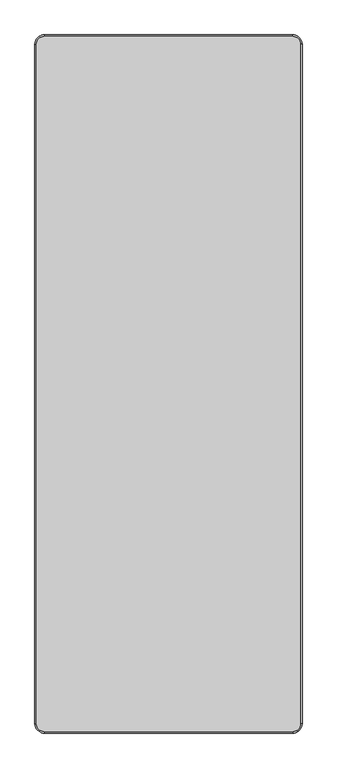
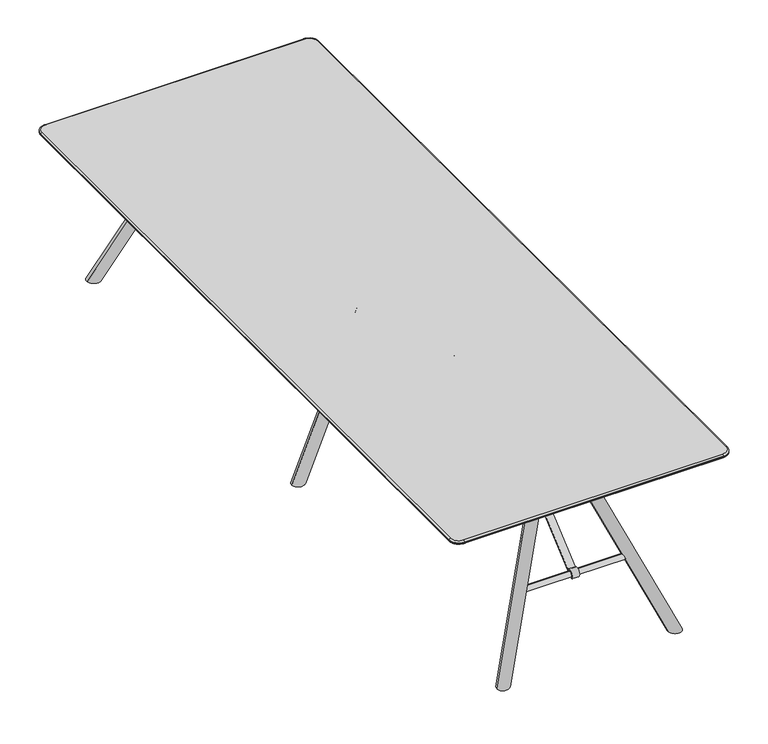
"""IFC4 building model written with IfcOpenShell, lengths in millimetres: furniture geometry."""

import ifcopenshell
import ifcopenshell.guid

model = None  # the IFC model being written
_history = None  # IfcOwnerHistory: only IFC2X3 demands one
_inside = {}  # id of a spatial element -> (the spatial element, [elements in it])
_under = {}  # id of a project, library or spatial element -> (it, [spatial elements below it])
_declared = {}  # id of a project -> (the project, [libraries it declares])
_typed = {}  # id of a type object -> (the type object, [elements of that type])
_made_of = {}  # id of a material, layer set ... -> (it, [elements and type objects made of it])


def new_model(schema):
    """Start an empty IFC model of exactly this schema.

    Asked for "IFC4X3", IfcOpenShell would pick the latest addendum, in which some entities
    have other attributes; the version numbers below select the first issue.
    IFC2X3 requires an IfcOwnerHistory on every rooted entity: one is made here for all.
    """
    global model, _history
    if schema == "IFC4X3":
        model = ifcopenshell.file(schema_version=(4, 3, 0, 0))
    else:
        model = ifcopenshell.file(schema=schema)
    _inside.clear()
    _under.clear()
    _declared.clear()
    _typed.clear()
    _made_of.clear()
    _history = None
    if model.schema == "IFC2X3":
        org = make("IfcOrganization", Name="unknown")
        user = make(
            "IfcPersonAndOrganization",
            ThePerson=make("IfcPerson", FamilyName="unknown"),
            TheOrganization=org,
        )
        app = make(
            "IfcApplication",
            ApplicationDeveloper=org,
            Version="unknown",
            ApplicationFullName="unknown",
            ApplicationIdentifier="unknown",
        )
        _history = make(
            "IfcOwnerHistory",
            OwningUser=user,
            OwningApplication=app,
            ChangeAction="ADDED",
            CreationDate=0,
        )
    return model


def make(cls, **values):
    """One entity of the class cls with the attributes given. An attribute that is None is left unset."""
    return model.create_entity(
        cls, **{name: value for name, value in values.items() if value is not None}
    )


def rooted(cls, **values):
    """An entity with a GlobalId (a new one), such as an element, a storey or a relation."""
    return make(cls, GlobalId=ifcopenshell.guid.new(), OwnerHistory=_history, **values)


def si_unit(unit_type, name, prefix=None):
    """IfcSIUnit, for example si_unit("LENGTHUNIT", "METRE", prefix="MILLI")."""
    return make("IfcSIUnit", UnitType=unit_type, Prefix=prefix, Name=name)


def assignment(units):
    """IfcUnitAssignment: the units of a project."""
    return None if units is None else make("IfcUnitAssignment", Units=units)


def point(xyz):
    """IfcCartesianPoint."""
    return None if xyz is None else make("IfcCartesianPoint", Coordinates=xyz)


def direction(xyz):
    """IfcDirection."""
    return None if xyz is None else make("IfcDirection", DirectionRatios=xyz)


def frame(location, z_axis=None, x_axis=None):
    """IfcAxis2Placement3D, a coordinate frame: its origin and axes. An axis left out is left unset."""
    return make(
        "IfcAxis2Placement3D",
        Location=point(location),
        Axis=direction(z_axis),
        RefDirection=direction(x_axis),
    )


def frame_2d(location, x_axis=None):
    """IfcAxis2Placement2D, a coordinate frame in the plane: its origin and x axis."""
    return make(
        "IfcAxis2Placement2D", Location=point(location), RefDirection=direction(x_axis)
    )


def origin():
    """The frame at (0, 0, 0) with its axes left unset."""
    return frame((0.0, 0.0, 0.0))


def place(relative_to, where):
    """IfcLocalPlacement: puts the frame where relative to a parent placement (None: the world)."""
    return make(
        "IfcLocalPlacement", PlacementRelTo=relative_to, RelativePlacement=where
    )


def context(
    kind, dimensions, precision=None, world=None, true_north=None, identifier=None
):
    """IfcGeometricRepresentationContext, for example the 3D "Model" context."""
    return make(
        "IfcGeometricRepresentationContext",
        ContextIdentifier=identifier,
        ContextType=kind,
        CoordinateSpaceDimension=dimensions,
        Precision=precision,
        WorldCoordinateSystem=world,
        TrueNorth=true_north,
    )


def project(units=None, contexts=None):
    """IfcProject with its units and contexts."""
    return rooted(
        "IfcProject",
        Name="project",
        RepresentationContexts=contexts,
        UnitsInContext=assignment(units),
    )


def spatial(cls, under=None, at=None, **own):
    """A site, building, storey or space (cls), placed at a placement, below another one or the project."""
    s = rooted(cls, ObjectPlacement=at, **own)
    if under is not None:
        _under.setdefault(under.id(), (under, []))[1].append(s)
    return s


def polyline(points):
    """IfcPolyline through the points."""
    return make("IfcPolyline", Points=[point(p) for p in points])


def circle_curve(where, radius):
    """IfcCircle in the frame where."""
    return make("IfcCircle", Position=where, Radius=radius)


def ellipse_curve(where, semi_axis1, semi_axis2):
    """IfcEllipse in the frame where."""
    return make(
        "IfcEllipse", Position=where, SemiAxis1=semi_axis1, SemiAxis2=semi_axis2
    )


def trimmed(basis, trim1, trim2, sense, master):
    """IfcTrimmedCurve: the piece of a basis curve between two trims."""
    return make(
        "IfcTrimmedCurve",
        BasisCurve=basis,
        Trim1=trim1,
        Trim2=trim2,
        SenseAgreement=sense,
        MasterRepresentation=master,
    )


def segment(curve, same_sense, transition):
    """IfcCompositeCurveSegment."""
    return make(
        "IfcCompositeCurveSegment",
        Transition=transition,
        SameSense=same_sense,
        ParentCurve=curve,
    )


def composite_curve(segments, self_intersect=None):
    """IfcCompositeCurve: segments joined end to end."""
    return make("IfcCompositeCurve", Segments=segments, SelfIntersect=self_intersect)


def outline(outer, holes=None, kind="AREA"):
    """IfcArbitraryClosedProfileDef: a profile drawn as a closed curve; with holes, ...WithVoids."""
    if holes is None:
        return make("IfcArbitraryClosedProfileDef", ProfileType=kind, OuterCurve=outer)
    return make(
        "IfcArbitraryProfileDefWithVoids",
        ProfileType=kind,
        OuterCurve=outer,
        InnerCurves=holes,
    )


def extrude(swept, where, along, depth):
    """IfcExtrudedAreaSolid: the profile swept, set in the frame where, extruded along a direction by depth."""
    return make(
        "IfcExtrudedAreaSolid",
        SweptArea=swept,
        Position=where,
        ExtrudedDirection=direction(along),
        Depth=depth,
    )


def shape(context_of_items, identifier, shape_type, items):
    """IfcShapeRepresentation: the items that make up one representation, for example the "Body"."""
    return make(
        "IfcShapeRepresentation",
        ContextOfItems=context_of_items,
        RepresentationIdentifier=identifier,
        RepresentationType=shape_type,
        Items=items,
    )


def source(mapping_origin, context_of_items, identifier, shape_type, items):
    """IfcRepresentationMap: a shape defined once, which mapped items show again and again."""
    return make(
        "IfcRepresentationMap",
        MappingOrigin=mapping_origin,
        MappedRepresentation=shape(context_of_items, identifier, shape_type, items),
    )


def transform(
    local_origin,
    x_axis=None,
    y_axis=None,
    z_axis=None,
    scale=None,
    scale2=None,
    scale3=None,
    uniform=True,
):
    """IfcCartesianTransformationOperator3D, or its non-uniform kind. x_axis, y_axis, z_axis: its Axis1, 2, 3."""
    if uniform:
        return make(
            "IfcCartesianTransformationOperator3D",
            Axis1=direction(x_axis),
            Axis2=direction(y_axis),
            LocalOrigin=point(local_origin),
            Scale=scale,
            Axis3=direction(z_axis),
        )
    return make(
        "IfcCartesianTransformationOperator3DnonUniform",
        Axis1=direction(x_axis),
        Axis2=direction(y_axis),
        LocalOrigin=point(local_origin),
        Scale=scale,
        Axis3=direction(z_axis),
        Scale2=scale2,
        Scale3=scale3,
    )


def mapped(mapping_source, mapping_target):
    """IfcMappedItem: shows the shape of a source again, moved by a transform."""
    return make(
        "IfcMappedItem", MappingSource=mapping_source, MappingTarget=mapping_target
    )


def made_of(thing, what):
    """Note that an element or type object is made of a material, layer set ...; save() writes the relation."""
    if what is not None:
        _made_of.setdefault(what.id(), (what, []))[1].append(thing)
    return thing


def element(
    cls,
    number,
    at=None,
    inside=None,
    cuts=None,
    type_object=None,
    material=None,
    context=None,
    identifier="Body",
    shape_type=None,
    held_by="IfcProductDefinitionShape",
    body=None,
    shapes=None,
    **own,
):
    """One element of the class cls, such as IfcWall. Its Tag is "e" and its number.

    at: its placement. inside: the storey or other place that contains it. cuts: it is an
    opening in that element (IfcRelVoidsElement). A single representation is given by context,
    identifier, shape_type and body (its items); several are given by shapes. held_by: the class
    of the entity that holds the representations. save() writes the other relations.
    """
    e = rooted(cls, Tag="e%d" % number, ObjectPlacement=at, **own)
    if body is not None:
        shapes = [shape(context, identifier, shape_type, body)]
    if shapes is not None:
        e.Representation = make(held_by, Representations=shapes)
    if inside is not None:
        _inside.setdefault(inside.id(), (inside, []))[1].append(e)
    if cuts is not None:
        rooted(
            "IfcRelVoidsElement", RelatingBuildingElement=cuts, RelatedOpeningElement=e
        )
    if type_object is not None:
        _typed.setdefault(type_object.id(), (type_object, []))[1].append(e)
    return made_of(e, material)


def aggregate(whole, parts):
    """IfcRelAggregates: a whole, such as a stair, and the parts it consists of."""
    return rooted("IfcRelAggregates", RelatingObject=whole, RelatedObjects=parts)


def save(model, path):
    """Write the relations noted so far, then the file.

    IfcRelAggregates (storeys below a building ...), IfcRelContainedInSpatialStructure (elements
    in a storey), IfcRelDefinesByType, IfcRelAssociatesMaterial and IfcRelDeclares: one each for
    every whole, place, type object, material and project.
    """
    for whole, parts in _under.values():
        aggregate(whole, parts)
    for where, things in _inside.values():
        rooted(
            "IfcRelContainedInSpatialStructure",
            RelatedElements=things,
            RelatingStructure=where,
        )
    for kind, things in _typed.values():
        rooted("IfcRelDefinesByType", RelatedObjects=things, RelatingType=kind)
    for what, things in _made_of.values():
        rooted("IfcRelAssociatesMaterial", RelatedObjects=things, RelatingMaterial=what)
    for by, libraries in _declared.values():
        rooted("IfcRelDeclares", RelatingContext=by, RelatedDefinitions=libraries)
    model.write(path)


def plane_surface(at):
    """IfcPlane: the flat surface through the origin of the frame at, square to its z axis."""
    return make("IfcPlane", Position=at)


def cylinder_surface(at, radius):
    """IfcCylindricalSurface: all points at the distance radius from the z axis of the frame at."""
    return make("IfcCylindricalSurface", Position=at, Radius=radius)


def revolved_surface(curve, axis_point, axis_direction):
    """IfcSurfaceOfRevolution: the curve turned about the line through axis_point along axis_direction."""
    return make(
        "IfcSurfaceOfRevolution",
        SweptCurve=make("IfcArbitraryOpenProfileDef", ProfileType="CURVE", Curve=curve),
        AxisPosition=make("IfcAxis1Placement", Location=point(axis_point), Axis=direction(axis_direction)),
    )


def advanced_brep(points, edges, surfaces, faces):
    """IfcAdvancedBrep: a solid bounded by faces that lie on surfaces and meet in shared edges.

    An edge is (start, end): straight between two places in points (the first is 0);
    or (start, end, curve); or (start, end, curve, False) where it runs against its curve.
    A face is (place in surfaces, loops), or (place, loops, False) where it looks against
    its surface's normal. A loop lists edges by number (the first is 1), with a minus sign
    where the edge is run from its end to its start. The first loop is the outer one.
    """
    corners = [point(p) for p in points]
    vertices = [make("IfcVertexPoint", VertexGeometry=c) for c in corners]
    made = []
    for start, end, *more in edges:
        made.append(
            make(
                "IfcEdgeCurve",
                EdgeStart=vertices[start],
                EdgeEnd=vertices[end],
                EdgeGeometry=more[0] if more else make("IfcPolyline", Points=[corners[start], corners[end]]),
                SameSense=more[1] if len(more) > 1 else True,
            )
        )
    hull = []
    for where, loops, *sense in faces:
        bounds = []
        for j, loop in enumerate(loops):
            ring = [make("IfcOrientedEdge", EdgeElement=made[abs(k) - 1], Orientation=k > 0) for k in loop]
            bounds.append(
                make(
                    "IfcFaceOuterBound" if j == 0 else "IfcFaceBound",
                    Bound=make("IfcEdgeLoop", EdgeList=ring),
                    Orientation=True,
                )
            )
        hull.append(make("IfcAdvancedFace", Bounds=bounds, FaceSurface=surfaces[where], SameSense=sense[0] if sense else True))
    return make("IfcAdvancedBrep", Outer=make("IfcClosedShell", CfsFaces=hull))


def furniture_6427665d(model_context):
    return source(origin(), model_context, "Body", "SolidModel", [
        extrude(outline(composite_curve([segment(polyline([(452.1615594, 696.9999876), (516.4936641, 696.9999876), (516.4936641, 693.9557965), (453.2570262, 693.9557965), (12.5923474, 318.9245802)]), True, "CONTINUOUS"), segment(trimmed(circle_curve(frame_2d((0.698271, 308.2132689)), 16.0062876), [point((12.5923474, 318.9245802))], [point((-11.9273491, 298.374826))], True, "CARTESIAN"), True, "CONTINUOUS"), segment(polyline([(-11.9273491, 298.374826), (-14.0616587, 296.2405164)]), True, "CONTINUOUS"), segment(trimmed(circle_curve(frame_2d((0.0, 308.9632055)), 18.9630446), [point((-14.0616587, 296.2405164))], [point((12.7510999, 322.9991063))], False, "CARTESIAN"), True, "CONTINUOUS"), segment(polyline([(12.7510999, 322.9991063), (452.1615594, 696.9999876)]), True, "CONTINUOUS")], self_intersect=False)), frame((-30.0854304, 0.0, 0.0), z_axis=(1.0, 0.0, 0.0), x_axis=(0.0, 1.0, 0.0)), (0.0, 0.0, 1.0), 30.0854304),
        advanced_brep(
        [(-234.1299418, 0.4604158, 296.9759032), (-234.1299418, 0.4604158, 320.4264818), (-234.1299418, 0.4604158, 308.7011925), (225.8700582, 0.4604158, 308.7011925), (225.8700582, 0.4604158, 320.4264818), (225.8700582, 0.4604158, 296.9759032)],
        [
            (0, 1, circle_curve(frame((-234.1299418, 0.4604158, 308.7011925), z_axis=(-1.0, 0.0, 0.0), x_axis=(0.0, 0.0, 1.0)), 11.7252893)),
            (1, 2),
            (2, 0),
            (1, 0, circle_curve(frame((-234.1299418, 0.4604158, 308.7011925), z_axis=(-1.0, 0.0, 0.0), x_axis=(0.0, 0.0, 1.0)), 11.7252893)),
            (3, 4),
            (4, 5, circle_curve(frame((225.8700582, 0.4604158, 308.7011925), z_axis=(1.0, 0.0, 0.0), x_axis=(0.0, 0.0, 1.0)), 11.7252893)),
            (5, 3),
            (5, 4, circle_curve(frame((225.8700582, 0.4604158, 308.7011925), z_axis=(1.0, 0.0, 0.0), x_axis=(0.0, 0.0, 1.0)), 11.7252893)),
            (4, 1, circle_curve(frame((-4.1299418, 0.4604158, -4735.1313064), z_axis=(0.0, -1.0, 0.0), x_axis=(0.0, 0.0, -1.0)), 5060.7869497)),
            (0, 5, circle_curve(frame((-4.1299418, 0.4604158, 5352.5336915), z_axis=(0.0, -1.0, 0.0), x_axis=(0.0, 0.0, 1.0)), 5060.7869497)),
        ],
        [
            plane_surface(frame((-234.1299418, 0.4604158, 308.7011925), z_axis=(-1.0, 0.0, 0.0), x_axis=(0.0, 0.0, 1.0))),
            plane_surface(frame((225.8700582, 0.4604158, 308.7011925), z_axis=(1.0, 0.0, 0.0), x_axis=(0.0, 0.0, 1.0))),
            revolved_surface(trimmed(ellipse_curve(frame((-4.1299418, 0.4604158, -4735.1313064), z_axis=(0.0, 1.0, 0.0), x_axis=(0.0, 0.0, -1.0)), 5060.7869497, 5060.7869497), [point((-234.1299418, 0.4604158, 320.4264818))], [point((225.8700582, 0.4604158, 320.4264818))], True, "CARTESIAN"), (225.8700582, 0.4604158, 308.7011925), (1.0, 0.0, 0.0)),
        ],
        [
            (0, [[1, 2, 3]]),
            (0, [[4, -3, -2]]),
            (1, [[5, 6, 7]]),
            (1, [[-7, 8, -5]]),
            (2, [[-6, 9, -1, 10]]),
            (2, [[-8, -10, -4, -9]]),
        ],
    ),
        extrude(outline(composite_curve([segment(polyline([(-452.1615594, 696.9999876), (-12.7510999, 322.9991063)]), True, "CONTINUOUS"), segment(trimmed(circle_curve(frame_2d((0.0, 308.9632055)), 18.9630446), [point((-12.7510999, 322.9991063))], [point((14.0616587, 296.2405164))], False, "CARTESIAN"), True, "CONTINUOUS"), segment(polyline([(14.0616587, 296.2405164), (11.9273491, 298.374826)]), True, "CONTINUOUS"), segment(trimmed(circle_curve(frame_2d((-0.698271, 308.2132689)), 16.0062876), [point((11.9273491, 298.374826))], [point((-12.5923474, 318.9245802))], True, "CARTESIAN"), True, "CONTINUOUS"), segment(polyline([(-12.5923474, 318.9245802), (-453.2570262, 693.9557965), (-516.4936641, 693.9557965), (-516.4936641, 696.9999876), (-452.1615594, 696.9999876)]), True, "CONTINUOUS")], self_intersect=False)), frame((0.0, 0.0, 0.0), z_axis=(1.0, 0.0, 0.0), x_axis=(0.0, 1.0, 0.0)), (0.0, 0.0, 1.0), 30.0854304),
        advanced_brep(
        [(-234.1299418, -0.4604158, 308.7011925), (-234.1299418, -0.4604158, 320.4264818), (-234.1299418, -0.4604158, 296.9759032), (225.8700582, -0.4604158, 296.9759032), (225.8700582, -0.4604158, 320.4264818), (225.8700582, -0.4604158, 308.7011925)],
        [
            (0, 1),
            (1, 2, circle_curve(frame((-234.1299418, -0.4604158, 308.7011925), z_axis=(-1.0, 0.0, 0.0), x_axis=(0.0, 0.0, 1.0)), 11.7252893)),
            (2, 0),
            (2, 1, circle_curve(frame((-234.1299418, -0.4604158, 308.7011925), z_axis=(-1.0, 0.0, 0.0), x_axis=(0.0, 0.0, 1.0)), 11.7252893)),
            (3, 4, circle_curve(frame((225.8700582, -0.4604158, 308.7011925), z_axis=(1.0, 0.0, 0.0), x_axis=(0.0, 0.0, 1.0)), 11.7252893)),
            (4, 5),
            (5, 3),
            (4, 3, circle_curve(frame((225.8700582, -0.4604158, 308.7011925), z_axis=(1.0, 0.0, 0.0), x_axis=(0.0, 0.0, 1.0)), 11.7252893)),
            (1, 4, circle_curve(frame((-4.1299418, -0.4604158, -4735.1313064), z_axis=(0.0, 1.0, 0.0), x_axis=(0.0, 0.0, -1.0)), 5060.7869497)),
            (3, 2, circle_curve(frame((-4.1299418, -0.4604158, 5352.5336915), z_axis=(0.0, 1.0, 0.0), x_axis=(0.0, 0.0, 1.0)), 5060.7869497)),
        ],
        [
            plane_surface(frame((-234.1299418, -0.4604158, 308.7011925), z_axis=(-1.0, 0.0, 0.0), x_axis=(0.0, 0.0, 1.0))),
            plane_surface(frame((225.8700582, -0.4604158, 308.7011925), z_axis=(1.0, 0.0, 0.0), x_axis=(0.0, 0.0, 1.0))),
            revolved_surface(trimmed(ellipse_curve(frame((-4.1299418, -0.4604158, -4735.1313064), z_axis=(0.0, -1.0, 0.0), x_axis=(0.0, 0.0, -1.0)), 5060.7869497, 5060.7869497), [point((225.8700582, -0.4604158, 320.4264818))], [point((-234.1299418, -0.4604158, 320.4264818))], True, "CARTESIAN"), (225.8700582, -0.4604158, 308.7011925), (-1.0, 0.0, 0.0)),
        ],
        [
            (0, [[1, 2, 3]]),
            (0, [[-3, 4, -1]]),
            (1, [[5, 6, 7]]),
            (1, [[8, -7, -6]]),
            (2, [[-2, 9, -5, 10]]),
            (2, [[-4, -10, -8, -9]]),
        ],
    ),
        advanced_brep(
        [(380.955562, 0.0, 0.0), (327.0019251, 0.0, 0.0), (109.0551994, 0.0, 670.5969178), (62.7191201, 0.0, 651.8094817)],
        [
            (0, 1, ellipse_curve(frame((353.9787435, 0.0, 0.0), z_axis=(0.0, 0.0, -1.0), x_axis=(-1.0, 0.0, 0.0)), 26.9768185, 25.0)),
            (1, 0, ellipse_curve(frame((353.9787435, 0.0, 0.0), z_axis=(0.0, 0.0, -1.0), x_axis=(-1.0, 0.0, 0.0)), 26.9768185, 25.0)),
            (2, 3, circle_curve(frame((85.8871597, 0.0, 661.2031998), z_axis=(-0.3757487225690418, 0.0, 0.9267215857460823), x_axis=(-0.9267215857460823, 0.0, -0.3757487225690418)), 25.0)),
            (3, 2, circle_curve(frame((85.8871597, 0.0, 661.2031998), z_axis=(-0.3757487225690418, 0.0, 0.9267215857460823), x_axis=(-0.9267215857460823, 0.0, -0.3757487225690418)), 25.0)),
            (3, 1),
            (0, 2),
        ],
        [
            plane_surface(frame((414.9551578, 35.0, 0.0), z_axis=(0.0, 0.0, -1.0), x_axis=(-1.0, 0.0, 0.0))),
            plane_surface(frame((62.7191201, 0.0, 651.8094817), z_axis=(-0.3757487225690418, 0.0, 0.9267215857460823), x_axis=(0.0, -1.0, 0.0))),
            cylinder_surface(frame((358.9985719, 0.0, -12.3805698), z_axis=(-0.3757487225690418, 0.0, 0.9267215857460823), x_axis=(-0.9267215857460823, 0.0, -0.3757487225690418)), 25.0),
        ],
        [
            (0, [[1, 2]]),
            (1, [[3, 4]]),
            (2, [[-4, 5, -1, 6]]),
            (2, [[-3, -6, -2, -5]]),
        ],
    ),
        advanced_brep(
        [(-327.0019251, 0.0, 0.0), (-380.955562, 0.0, 0.0), (-109.0551994, 0.0, 670.5969178), (-62.7191201, 0.0, 651.8094817)],
        [
            (0, 1, ellipse_curve(frame((-353.9787435, 0.0, 0.0), z_axis=(0.0, 0.0, -1.0), x_axis=(1.0, 0.0, 0.0)), 26.9768185, 25.0)),
            (1, 0, ellipse_curve(frame((-353.9787435, 0.0, 0.0), z_axis=(0.0, 0.0, -1.0), x_axis=(1.0, 0.0, 0.0)), 26.9768185, 25.0)),
            (2, 3, circle_curve(frame((-85.8871597, 0.0, 661.2031998), z_axis=(0.3757487225690418, 0.0, 0.9267215857460823), x_axis=(0.9267215857460823, 0.0, -0.3757487225690418)), 25.0)),
            (3, 2, circle_curve(frame((-85.8871597, 0.0, 661.2031998), z_axis=(0.3757487225690418, 0.0, 0.9267215857460823), x_axis=(0.9267215857460823, 0.0, -0.3757487225690418)), 25.0)),
            (2, 1),
            (0, 3),
        ],
        [
            plane_surface(frame((414.9551578, 35.0, 0.0), z_axis=(0.0, 0.0, -1.0), x_axis=(-1.0, 0.0, 0.0))),
            plane_surface(frame((-62.7191201, 0.0, 651.8094817), z_axis=(0.3757487225690418, 0.0, 0.9267215857460823), x_axis=(0.0, 1.0, 0.0))),
            cylinder_surface(frame((-358.9985719, 0.0, -12.3805698), z_axis=(0.3757487225690418, 0.0, 0.9267215857460823), x_axis=(0.9267215857460823, 0.0, -0.3757487225690418)), 25.0),
        ],
        [
            (0, [[1, 2]]),
            (1, [[3, 4]]),
            (2, [[-3, 5, -1, 6]]),
            (2, [[-4, -6, -2, -5]]),
        ],
    ),
        extrude(outline(polyline([(705.4756617, -300.8039954), (687.6294954, -300.8039954), (642.3006437, -190.0), (642.3006437, 190.0), (687.6294954, 300.8039954), (705.4756617, 300.8039954), (705.4756617, -300.8039954)])), frame((0.0, -50.000027, 0.0), z_axis=(0.0, 1.0, 0.0), x_axis=(0.0, 0.0, 1.0)), (0.0, 0.0, 1.0), 100.000054),
        advanced_brep(
        [(380.6471861, 1463.9639551, 0.0), (327.1101507, 1464.2748861, 0.0), (109.9688176, 1243.3483753, 667.7772071), (63.3065195, 1249.2625399, 650.8168831)],
        [
            (0, 1, ellipse_curve(frame((353.8786684, 1464.1194206, 0.0), z_axis=(0.0, 0.0, -1.0), x_axis=(-0.7751468611530294, -0.6317810883879053, 0.0)), 28.2117965, 25.0)),
            (1, 0, ellipse_curve(frame((353.8786684, 1464.1194206, 0.0), z_axis=(0.0, 0.0, -1.0), x_axis=(-0.7751468611530294, -0.6317810883879053, 0.0)), 28.2117965, 25.0)),
            (2, 3, circle_curve(frame((86.6376685, 1246.3054576, 659.2970451), z_axis=(-0.3591957786469683, -0.29276142541603045, 0.8861541290264197), x_axis=(-0.9332459618296185, 0.1182832937809614, -0.339206481572857)), 25.0)),
            (3, 2, circle_curve(frame((86.6376685, 1246.3054576, 659.2970451), z_axis=(-0.3591957786469683, -0.29276142541603045, 0.8861541290264197), x_axis=(-0.9332459618296185, 0.1182832937809614, -0.339206481572857)), 25.0)),
            (3, 1),
            (0, 2),
        ],
        [
            plane_surface(frame((414.9551578, 1524.2242518, 0.0), z_axis=(0.0, 0.0, -1.0), x_axis=(-1.0, 0.0, 0.0))),
            plane_surface(frame((63.3065195, 1249.2625399, 650.8168831), z_axis=(-0.35919577864696833, -0.29276142541603045, 0.8861541290264197), x_axis=(-0.005510656123217828, -0.9488412987432098, -0.315705277859574))),
            cylinder_surface(frame((359.1565975, 1468.4211807, -13.0209177), z_axis=(-0.3591957786469683, -0.29276142541603045, 0.8861541290264197), x_axis=(-0.9332459618296185, 0.1182832937809614, -0.339206481572857)), 25.0),
        ],
        [
            (0, [[1, 2]]),
            (1, [[3, 4]]),
            (2, [[-4, 5, -1, 6]]),
            (2, [[-3, -6, -2, -5]]),
        ],
    ),
        advanced_brep(
        [(-109.9688176, 1243.3483753, 667.7772071), (-63.3065195, 1249.2625399, 650.8168831), (-380.6471861, 1463.9639551, 0.0), (-327.1101507, 1464.2748861, 0.0)],
        [
            (0, 1, circle_curve(frame((-86.6376685, 1246.3054576, 659.2970451), z_axis=(0.3591957786469684, -0.2927614254160305, 0.8861541290264195), x_axis=(0.9332459618296185, 0.11828329378096139, -0.33920648157285704)), 25.0)),
            (1, 0, circle_curve(frame((-86.6376685, 1246.3054576, 659.2970451), z_axis=(0.3591957786469684, -0.2927614254160305, 0.8861541290264195), x_axis=(0.9332459618296185, 0.11828329378096139, -0.33920648157285704)), 25.0)),
            (0, 2),
            (2, 3, ellipse_curve(frame((-353.8786684, 1464.1194206, 0.0), z_axis=(0.0, 0.0, 1.0), x_axis=(0.7751468611530294, -0.6317810883879053, 0.0)), 28.2117965, 25.0)),
            (3, 1),
            (3, 2, ellipse_curve(frame((-353.8786684, 1464.1194206, 0.0), z_axis=(0.0, 0.0, 1.0), x_axis=(0.7751468611530294, -0.6317810883879053, 0.0)), 28.2117965, 25.0)),
        ],
        [
            plane_surface(frame((-63.3065195, 1249.2625399, 650.8168831), z_axis=(0.3591957786469684, -0.29276142541603045, 0.8861541290264195), x_axis=(-0.005510656123217842, 0.9488412987432097, 0.315705277859574))),
            cylinder_surface(frame((-359.1565975, 1468.4211807, -13.0209177), z_axis=(0.3591957786469684, -0.2927614254160305, 0.8861541290264195), x_axis=(0.9332459618296185, 0.11828329378096139, -0.33920648157285704)), 25.0),
            plane_surface(frame((414.9551578, 1524.2242518, 0.0), z_axis=(0.0, 0.0, -1.0), x_axis=(-1.0, 0.0, 0.0))),
        ],
        [
            (0, [[1, 2]]),
            (1, [[-1, 3, 4, 5]]),
            (1, [[-2, -5, 6, -3]]),
            (2, [[-4, -6]]),
        ],
    ),
        extrude(outline(composite_curve([segment(polyline([(907.3939355, 696.9999876), (1346.804395, 322.9991063)]), True, "CONTINUOUS"), segment(trimmed(circle_curve(frame_2d((1359.555495, 308.9632055)), 18.9630446), [point((1346.804395, 322.9991063))], [point((1373.6171536, 296.2405164))], False, "CARTESIAN"), True, "CONTINUOUS"), segment(polyline([(1373.6171536, 296.2405164), (1371.4828441, 298.374826)]), True, "CONTINUOUS"), segment(trimmed(circle_curve(frame_2d((1358.8572239, 308.2132689)), 16.0062876), [point((1371.4828441, 298.374826))], [point((1346.9631475, 318.9245802))], True, "CARTESIAN"), True, "CONTINUOUS"), segment(polyline([(1346.9631475, 318.9245802), (906.2984688, 693.9557965), (843.0618308, 693.9557965), (843.0618308, 696.9999876), (907.3939355, 696.9999876)]), True, "CONTINUOUS")], self_intersect=False)), frame((-18.7488756, 0.0, 0.0), z_axis=(1.0, 0.0, 0.0), x_axis=(0.0, 1.0, 0.0)), (0.0, 0.0, 1.0), 30.0854304),
        advanced_brep(
        [(-234.1299418, 1359.0950792, 308.7011925), (-234.1299418, 1359.0950792, 320.4264818), (-234.1299418, 1359.0950792, 296.9759032), (225.8700582, 1359.0950792, 296.9759032), (225.8700582, 1359.0950792, 320.4264818), (225.8700582, 1359.0950792, 308.7011925)],
        [
            (0, 1),
            (1, 2, circle_curve(frame((-234.1299418, 1359.0950792, 308.7011925), z_axis=(-1.0, 0.0, 0.0), x_axis=(0.0, 0.0, 1.0)), 11.7252893)),
            (2, 0),
            (2, 1, circle_curve(frame((-234.1299418, 1359.0950792, 308.7011925), z_axis=(-1.0, 0.0, 0.0), x_axis=(0.0, 0.0, 1.0)), 11.7252893)),
            (3, 4, circle_curve(frame((225.8700582, 1359.0950792, 308.7011925), z_axis=(1.0, 0.0, 0.0), x_axis=(0.0, 0.0, 1.0)), 11.7252893)),
            (4, 5),
            (5, 3),
            (4, 3, circle_curve(frame((225.8700582, 1359.0950792, 308.7011925), z_axis=(1.0, 0.0, 0.0), x_axis=(0.0, 0.0, 1.0)), 11.7252893)),
            (1, 4, circle_curve(frame((-4.1299418, 1359.0950792, -4735.1313064), z_axis=(0.0, 1.0, 0.0), x_axis=(0.0, 0.0, -1.0)), 5060.7869497)),
            (3, 2, circle_curve(frame((-4.1299418, 1359.0950792, 5352.5336915), z_axis=(0.0, 1.0, 0.0), x_axis=(0.0, 0.0, 1.0)), 5060.7869497)),
        ],
        [
            plane_surface(frame((-234.1299418, 1359.0950792, 308.7011925), z_axis=(-1.0, 0.0, 0.0), x_axis=(0.0, 0.0, 1.0))),
            plane_surface(frame((225.8700582, 1359.0950792, 308.7011925), z_axis=(1.0, 0.0, 0.0), x_axis=(0.0, 0.0, 1.0))),
            revolved_surface(trimmed(ellipse_curve(frame((-4.1299418, 1359.0950792, -4735.1313064), z_axis=(0.0, -1.0, 0.0), x_axis=(0.0, 0.0, -1.0)), 5060.7869497, 5060.7869497), [point((225.8700582, 1359.0950792, 320.4264818))], [point((-234.1299418, 1359.0950792, 320.4264818))], True, "CARTESIAN"), (225.8700582, 1359.0950792, 308.7011925), (-1.0, 0.0, 0.0)),
        ],
        [
            (0, [[1, 2, 3]]),
            (0, [[-3, 4, -1]]),
            (1, [[5, 6, 7]]),
            (1, [[8, -7, -6]]),
            (2, [[-2, 9, -5, 10]]),
            (2, [[-4, -10, -8, -9]]),
        ],
    ),
        extrude(outline(polyline([(705.4756617, -300.8039954), (687.6294954, -300.8039954), (642.3006437, -190.0), (642.3006437, 190.0), (687.6294954, 300.8039954), (705.4756617, 300.8039954), (705.4756617, -300.8039954)])), frame((0.0, 1200.0, 0.0), z_axis=(0.0, 1.0, 0.0), x_axis=(0.0, 0.0, 1.0)), (0.0, 0.0, 1.0), 100.000054),
        advanced_brep(
        [(327.1101507, -1464.2748861, 0.0), (380.6471861, -1463.9639551, 0.0), (109.9688176, -1243.3483753, 667.7772071), (63.3065195, -1249.2625399, 650.8168831)],
        [
            (0, 1, ellipse_curve(frame((353.8786684, -1464.1194206, 0.0), z_axis=(0.0, 0.0, -1.0), x_axis=(-0.7751468611530294, 0.6317810883879053, 0.0)), 28.2117965, 25.0)),
            (1, 0, ellipse_curve(frame((353.8786684, -1464.1194206, 0.0), z_axis=(0.0, 0.0, -1.0), x_axis=(-0.7751468611530294, 0.6317810883879053, 0.0)), 28.2117965, 25.0)),
            (2, 3, circle_curve(frame((86.6376685, -1246.3054576, 659.2970451), z_axis=(-0.3591957786469683, 0.29276142541603045, 0.8861541290264197), x_axis=(-0.9332459618296185, -0.1182832937809614, -0.339206481572857)), 25.0)),
            (3, 2, circle_curve(frame((86.6376685, -1246.3054576, 659.2970451), z_axis=(-0.3591957786469683, 0.29276142541603045, 0.8861541290264197), x_axis=(-0.9332459618296185, -0.1182832937809614, -0.339206481572857)), 25.0)),
            (2, 1),
            (0, 3),
        ],
        [
            plane_surface(frame((414.9551578, -1419.2242518, 0.0), z_axis=(0.0, 0.0, -1.0), x_axis=(-1.0, 0.0, 0.0))),
            plane_surface(frame((63.3065195, -1249.2625399, 650.8168831), z_axis=(-0.3591957786469684, 0.29276142541603045, 0.8861541290264195), x_axis=(0.005510656123217813, -0.9488412987432097, 0.315705277859574))),
            cylinder_surface(frame((359.1565975, -1468.4211807, -13.0209177), z_axis=(-0.3591957786469683, 0.29276142541603045, 0.8861541290264197), x_axis=(-0.9332459618296185, -0.1182832937809614, -0.339206481572857)), 25.0),
        ],
        [
            (0, [[1, 2]]),
            (1, [[3, 4]]),
            (2, [[-3, 5, -1, 6]]),
            (2, [[-4, -6, -2, -5]]),
        ],
    ),
        advanced_brep(
        [(-109.9688176, -1243.3483753, 667.7772071), (-63.3065195, -1249.2625399, 650.8168831), (-327.1101507, -1464.2748861, 0.0), (-380.6471861, -1463.9639551, 0.0)],
        [
            (0, 1, circle_curve(frame((-86.6376685, -1246.3054576, 659.2970451), z_axis=(0.3591957786469684, 0.2927614254160305, 0.8861541290264195), x_axis=(0.9332459618296185, -0.11828329378096139, -0.33920648157285704)), 25.0)),
            (1, 0, circle_curve(frame((-86.6376685, -1246.3054576, 659.2970451), z_axis=(0.3591957786469684, 0.2927614254160305, 0.8861541290264195), x_axis=(0.9332459618296185, -0.11828329378096139, -0.33920648157285704)), 25.0)),
            (1, 2),
            (2, 3, ellipse_curve(frame((-353.8786684, -1464.1194206, 0.0), z_axis=(0.0, 0.0, 1.0), x_axis=(0.7751468611530294, 0.6317810883879053, 0.0)), 28.2117965, 25.0)),
            (3, 0),
            (3, 2, ellipse_curve(frame((-353.8786684, -1464.1194206, 0.0), z_axis=(0.0, 0.0, 1.0), x_axis=(0.7751468611530294, 0.6317810883879053, 0.0)), 28.2117965, 25.0)),
        ],
        [
            plane_surface(frame((-63.3065195, -1249.2625399, 650.8168831), z_axis=(0.3591957786469684, 0.2927614254160305, 0.8861541290264195), x_axis=(0.0055106561232178275, 0.9488412987432097, -0.31570527785957403))),
            cylinder_surface(frame((-359.1565975, -1468.4211807, -13.0209177), z_axis=(0.3591957786469684, 0.2927614254160305, 0.8861541290264195), x_axis=(0.9332459618296185, -0.11828329378096139, -0.33920648157285704)), 25.0),
            plane_surface(frame((414.9551578, -1419.2242518, 0.0), z_axis=(0.0, 0.0, -1.0), x_axis=(-1.0, 0.0, 0.0))),
        ],
        [
            (0, [[1, 2]]),
            (1, [[-2, 3, 4, 5]]),
            (1, [[-1, -5, 6, -3]]),
            (2, [[-4, -6]]),
        ],
    ),
        extrude(outline(composite_curve([segment(polyline([(-907.3939355, 696.9999876), (-843.0618308, 696.9999876), (-843.0618308, 693.9557965), (-906.2984688, 693.9557965), (-1346.9631475, 318.9245802)]), True, "CONTINUOUS"), segment(trimmed(circle_curve(frame_2d((-1358.8572239, 308.2132689)), 16.0062876), [point((-1346.9631475, 318.9245802))], [point((-1371.4828441, 298.374826))], True, "CARTESIAN"), True, "CONTINUOUS"), segment(polyline([(-1371.4828441, 298.374826), (-1373.6171536, 296.2405164)]), True, "CONTINUOUS"), segment(trimmed(circle_curve(frame_2d((-1359.555495, 308.9632055)), 18.9630446), [point((-1373.6171536, 296.2405164))], [point((-1346.804395, 322.9991063))], False, "CARTESIAN"), True, "CONTINUOUS"), segment(polyline([(-1346.804395, 322.9991063), (-907.3939355, 696.9999876)]), True, "CONTINUOUS")], self_intersect=False)), frame((-18.7488756, 0.0, 0.0), z_axis=(1.0, 0.0, 0.0), x_axis=(0.0, 1.0, 0.0)), (0.0, 0.0, 1.0), 30.0854304),
        advanced_brep(
        [(-234.1299418, -1359.0950792, 296.9759032), (-234.1299418, -1359.0950792, 320.4264818), (-234.1299418, -1359.0950792, 308.7011925), (225.8700582, -1359.0950792, 308.7011925), (225.8700582, -1359.0950792, 320.4264818), (225.8700582, -1359.0950792, 296.9759032)],
        [
            (0, 1, circle_curve(frame((-234.1299418, -1359.0950792, 308.7011925), z_axis=(-1.0, 0.0, 0.0), x_axis=(0.0, 0.0, 1.0)), 11.7252893)),
            (1, 2),
            (2, 0),
            (1, 0, circle_curve(frame((-234.1299418, -1359.0950792, 308.7011925), z_axis=(-1.0, 0.0, 0.0), x_axis=(0.0, 0.0, 1.0)), 11.7252893)),
            (3, 4),
            (4, 5, circle_curve(frame((225.8700582, -1359.0950792, 308.7011925), z_axis=(1.0, 0.0, 0.0), x_axis=(0.0, 0.0, 1.0)), 11.7252893)),
            (5, 3),
            (5, 4, circle_curve(frame((225.8700582, -1359.0950792, 308.7011925), z_axis=(1.0, 0.0, 0.0), x_axis=(0.0, 0.0, 1.0)), 11.7252893)),
            (4, 1, circle_curve(frame((-4.1299418, -1359.0950792, -4735.1313064), z_axis=(0.0, -1.0, 0.0), x_axis=(0.0, 0.0, -1.0)), 5060.7869497)),
            (0, 5, circle_curve(frame((-4.1299418, -1359.0950792, 5352.5336915), z_axis=(0.0, -1.0, 0.0), x_axis=(0.0, 0.0, 1.0)), 5060.7869497)),
        ],
        [
            plane_surface(frame((-234.1299418, -1359.0950792, 308.7011925), z_axis=(-1.0, 0.0, 0.0), x_axis=(0.0, 0.0, 1.0))),
            plane_surface(frame((225.8700582, -1359.0950792, 308.7011925), z_axis=(1.0, 0.0, 0.0), x_axis=(0.0, 0.0, 1.0))),
            revolved_surface(trimmed(ellipse_curve(frame((-4.1299418, -1359.0950792, -4735.1313064), z_axis=(0.0, 1.0, 0.0), x_axis=(0.0, 0.0, -1.0)), 5060.7869497, 5060.7869497), [point((-234.1299418, -1359.0950792, 320.4264818))], [point((225.8700582, -1359.0950792, 320.4264818))], True, "CARTESIAN"), (225.8700582, -1359.0950792, 308.7011925), (1.0, 0.0, 0.0)),
        ],
        [
            (0, [[1, 2, 3]]),
            (0, [[4, -3, -2]]),
            (1, [[5, 6, 7]]),
            (1, [[-7, 8, -5]]),
            (2, [[-6, 9, -1, 10]]),
            (2, [[-8, -10, -4, -9]]),
        ],
    ),
        extrude(outline(polyline([(705.4756617, -300.8039954), (687.6294954, -300.8039954), (642.3006437, -190.0), (642.3006437, 190.0), (687.6294954, 300.8039954), (705.4756617, 300.8039954), (705.4756617, -300.8039954)])), frame((0.0, -1300.000054, 0.0), z_axis=(0.0, 1.0, 0.0), x_axis=(0.0, 0.0, 1.0)), (0.0, 0.0, 1.0), 100.000054),
        advanced_brep(
        [(-535.0, 1493.3875297, 720.0), (-568.3875297, 1460.0, 720.0), (-568.3875297, -1460.0, 720.0), (-535.0, -1493.3875297, 720.0), (535.0, -1493.3875297, 720.0), (568.3875297, -1460.0, 720.0), (568.3875297, 1460.0, 720.0), (535.0, 1493.3875297, 720.0), (-540.0005076, 1460.0, 696.9999876), (-535.0, 1465.0005076, 696.9999876), (535.0, 1465.0005076, 696.9999876), (540.0005076, 1460.0, 696.9999876), (540.0005076, -1460.0, 696.9999876), (535.0, -1465.0005076, 696.9999876), (-535.0, -1465.0005076, 696.9999876), (-540.0005076, -1460.0, 696.9999876), (535.0, 1500.0, 713.3875348), (535.0, 1500.0, 711.9936098), (-535.0, 1500.0, 711.9936098), (-535.0, 1500.0, 713.3875295), (-575.0, 1460.0, 711.9936098), (-575.0, 1460.0, 713.3875299), (-575.0, -1460.0, 711.9936098), (-575.0, -1460.0, 713.3875297), (-535.0, -1500.0, 711.9936098), (-535.0, -1500.0, 713.3875305), (535.0, -1500.0, 711.9936098), (535.0, -1500.0, 713.3875297), (575.0, -1460.0, 711.9936098), (575.0, -1460.0, 713.3875293), (575.0, 1460.0, 711.9936098), (575.0, 1460.0, 713.3875297), (-571.0321209, 1460.0, 706.6108805), (-535.0, 1496.0321209, 706.6108805), (-571.0321209, -1460.0, 706.6108805), (-535.0, -1496.0321209, 706.6108805), (535.0, -1496.0321209, 706.6108805), (571.0321209, -1460.0, 706.6108805), (571.0321209, 1460.0, 706.6108805), (535.0, 1496.0321209, 706.6108805)],
        [
            (0, 1, circle_curve(frame((-535.0, 1460.0, 720.0), z_axis=(0.0, 0.0, 1.0), x_axis=(0.0, 1.0, 0.0)), 33.3875297)),
            (1, 2),
            (2, 3, circle_curve(frame((-535.0, -1460.0, 720.0), z_axis=(0.0, 0.0, 1.0), x_axis=(-1.0, 0.0, 0.0)), 33.3875297)),
            (3, 4),
            (4, 5, circle_curve(frame((535.0, -1460.0, 720.0), z_axis=(0.0, 0.0, 1.0), x_axis=(0.0, -1.0, 0.0)), 33.3875297)),
            (5, 6),
            (6, 7, circle_curve(frame((535.0, 1460.0, 720.0), z_axis=(0.0, 0.0, 1.0), x_axis=(1.0, 0.0, 0.0)), 33.3875297)),
            (7, 0),
            (8, 9, circle_curve(frame((-535.0, 1460.0, 696.9999876), z_axis=(0.0, 0.0, -1.0), x_axis=(0.0, 1.0, 0.0)), 5.0005076)),
            (9, 10),
            (10, 11, circle_curve(frame((535.0, 1460.0, 696.9999876), z_axis=(0.0, 0.0, -1.0), x_axis=(1.0, 0.0, 0.0)), 5.0005076)),
            (11, 12),
            (12, 13, circle_curve(frame((535.0, -1460.0, 696.9999876), z_axis=(0.0, 0.0, -1.0), x_axis=(0.0, -1.0, 0.0)), 5.0005076)),
            (13, 14),
            (14, 15, circle_curve(frame((-535.0, -1460.0, 696.9999876), z_axis=(0.0, 0.0, -1.0), x_axis=(-1.0, 0.0, 0.0)), 5.0005076)),
            (15, 8),
            (16, 17),
            (17, 18),
            (18, 19),
            (19, 16),
            (18, 20, circle_curve(frame((-535.0, 1460.0, 711.9936098), z_axis=(0.0, 0.0, 1.0), x_axis=(1.0, 0.0, 0.0)), 40.0)),
            (20, 21),
            (21, 19, circle_curve(frame((-535.0, 1460.0, 713.3875297), z_axis=(0.0, 0.0, -1.0), x_axis=(1.0, 0.0, 0.0)), 40.0)),
            (20, 22),
            (22, 23),
            (23, 21),
            (22, 24, circle_curve(frame((-535.0, -1460.0, 711.9936098), z_axis=(0.0, 0.0, 1.0), x_axis=(1.0, 0.0, 0.0)), 40.0)),
            (24, 25),
            (25, 23, circle_curve(frame((-535.0, -1460.0, 713.3875297), z_axis=(0.0, 0.0, -1.0), x_axis=(1.0, 0.0, 0.0)), 40.0)),
            (24, 26),
            (26, 27),
            (27, 25),
            (26, 28, circle_curve(frame((535.0, -1460.0, 711.9936098), z_axis=(0.0, 0.0, 1.0), x_axis=(1.0, 0.0, 0.0)), 40.0)),
            (28, 29),
            (29, 27, circle_curve(frame((535.0, -1460.0, 713.3875297), z_axis=(0.0, 0.0, -1.0), x_axis=(1.0, 0.0, 0.0)), 40.0)),
            (28, 30),
            (30, 31),
            (31, 29),
            (16, 31, circle_curve(frame((535.0, 1460.0, 713.3875297), z_axis=(0.0, 0.0, -1.0), x_axis=(1.0, 0.0, 0.0)), 40.0)),
            (30, 17, circle_curve(frame((535.0, 1460.0, 711.9936098), z_axis=(0.0, 0.0, 1.0), x_axis=(1.0, 0.0, 0.0)), 40.0)),
            (21, 1, circle_curve(frame((-568.3875297, 1460.0, 713.3875297), z_axis=(0.0, 1.0, 0.0), x_axis=(1.0, 0.0, 0.0)), 6.6124703)),
            (0, 19, circle_curve(frame((-535.0, 1493.3875297, 713.3875297), z_axis=(-1.0, 0.0, 0.0), x_axis=(0.0, -1.0, 0.0)), 6.6124703)),
            (32, 20, circle_curve(frame((-569.3650199, 1460.0, 711.9936098), z_axis=(0.0, 1.0, 0.0), x_axis=(1.0, 0.0, 0.0)), 5.6349801)),
            (18, 33, circle_curve(frame((-535.0, 1494.3650199, 711.9936098), z_axis=(-1.0, 0.0, 0.0), x_axis=(0.0, -1.0, 0.0)), 5.6349801)),
            (33, 32, circle_curve(frame((-535.0, 1460.0, 706.6108805), z_axis=(0.0, 0.0, 1.0), x_axis=(0.0, 1.0, 0.0)), 36.0321209)),
            (33, 9),
            (8, 32),
            (23, 2, circle_curve(frame((-568.3875297, -1460.0, 713.3875297), z_axis=(0.0, 1.0, 0.0), x_axis=(1.0, 0.0, 0.0)), 6.6124703)),
            (32, 34),
            (34, 22, circle_curve(frame((-569.3650199, -1460.0, 711.9936098), z_axis=(0.0, 1.0, 0.0), x_axis=(1.0, 0.0, 0.0)), 5.6349801)),
            (15, 34),
            (25, 3, circle_curve(frame((-535.0, -1493.3875297, 713.3875297), z_axis=(-1.0, 0.0, 0.0), x_axis=(0.0, 1.0, 0.0)), 6.6124703)),
            (34, 35, circle_curve(frame((-535.0, -1460.0, 706.6108805), z_axis=(0.0, 0.0, 1.0), x_axis=(-1.0, 0.0, 0.0)), 36.0321209)),
            (35, 24, circle_curve(frame((-535.0, -1494.3650199, 711.9936098), z_axis=(-1.0, 0.0, 0.0), x_axis=(0.0, 1.0, 0.0)), 5.6349801)),
            (14, 35),
            (27, 4, circle_curve(frame((535.0, -1493.3875297, 713.3875297), z_axis=(-1.0, 0.0, 0.0), x_axis=(0.0, 1.0, 0.0)), 6.6124703)),
            (35, 36),
            (36, 26, circle_curve(frame((535.0, -1494.3650199, 711.9936098), z_axis=(-1.0, 0.0, 0.0), x_axis=(0.0, 1.0, 0.0)), 5.6349801)),
            (13, 36),
            (29, 5, circle_curve(frame((568.3875297, -1460.0, 713.3875297), z_axis=(0.0, -1.0, 0.0), x_axis=(-1.0, 0.0, 0.0)), 6.6124703)),
            (36, 37, circle_curve(frame((535.0, -1460.0, 706.6108805), z_axis=(0.0, 0.0, 1.0), x_axis=(0.0, -1.0, 0.0)), 36.0321209)),
            (37, 28, circle_curve(frame((569.3650199, -1460.0, 711.9936098), z_axis=(0.0, -1.0, 0.0), x_axis=(-1.0, 0.0, 0.0)), 5.6349801)),
            (12, 37),
            (31, 6, circle_curve(frame((568.3875297, 1460.0, 713.3875297), z_axis=(0.0, -1.0, 0.0), x_axis=(-1.0, 0.0, 0.0)), 6.6124703)),
            (37, 38),
            (38, 30, circle_curve(frame((569.3650199, 1460.0, 711.9936098), z_axis=(0.0, -1.0, 0.0), x_axis=(-1.0, 0.0, 0.0)), 5.6349801)),
            (11, 38),
            (16, 7, circle_curve(frame((535.0, 1493.3875297, 713.3875297), z_axis=(1.0, 0.0, 0.0), x_axis=(0.0, -1.0, 0.0)), 6.6124703)),
            (38, 39, circle_curve(frame((535.0, 1460.0, 706.6108805), z_axis=(0.0, 0.0, 1.0), x_axis=(1.0, 0.0, 0.0)), 36.0321209)),
            (39, 17, circle_curve(frame((535.0, 1494.3650199, 711.9936098), z_axis=(1.0, 0.0, 0.0), x_axis=(0.0, -1.0, 0.0)), 5.6349801)),
            (10, 39),
            (39, 33),
        ],
        [
            plane_surface(frame((-435.310117, 1500.0, 720.0), z_axis=(0.0, 0.0, 1.0), x_axis=(-1.0, 0.0, 0.0))),
            plane_surface(frame((-435.310117, 1500.0, 696.9999876), z_axis=(0.0, 0.0, -1.0), x_axis=(1.0, 0.0, 0.0))),
            plane_surface(frame((535.0, 1500.0, 720.0), z_axis=(0.0, 1.0, 0.0), x_axis=(0.0, 0.0, -1.0))),
            cylinder_surface(frame((-535.0, 1460.0, 696.9999876), z_axis=(0.0, 0.0, 1.0), x_axis=(1.0, 0.0, 0.0)), 40.0),
            plane_surface(frame((-575.0, 1460.0, 720.0), z_axis=(-1.0, 0.0, 0.0), x_axis=(0.0, 0.0, -1.0))),
            cylinder_surface(frame((-535.0, -1460.0, 696.9999876), z_axis=(0.0, 0.0, 1.0), x_axis=(1.0, 0.0, 0.0)), 40.0),
            plane_surface(frame((-535.0, -1500.0, 720.0), z_axis=(0.0, -1.0, 0.0), x_axis=(0.0, 0.0, -1.0))),
            cylinder_surface(frame((535.0, -1460.0, 696.9999876), z_axis=(0.0, 0.0, 1.0), x_axis=(1.0, 0.0, 0.0)), 40.0),
            plane_surface(frame((575.0, -1460.0, 720.0), z_axis=(1.0, 0.0, 0.0), x_axis=(0.0, 0.0, -1.0))),
            cylinder_surface(frame((535.0, 1460.0, 696.9999876), z_axis=(0.0, 0.0, 1.0), x_axis=(1.0, 0.0, 0.0)), 40.0),
            revolved_surface(trimmed(ellipse_curve(frame((-535.0, 1493.3875297, 713.3875297), z_axis=(1.0, 0.0, 0.0), x_axis=(0.0, -1.0, 0.0)), 6.6124703, 6.6124703), [point((-535.0, 1500.0, 713.3875297))], [point((-535.0, 1493.3875297, 720.0))], True, "CARTESIAN"), (-535.0, 1460.0, -18.7809165), (0.0, 0.0, 1.0)),
            revolved_surface(trimmed(ellipse_curve(frame((-535.0, 1494.3650199, 711.9936098), z_axis=(1.0, 0.0, 0.0), x_axis=(0.0, -1.0, 0.0)), 5.6349801, 5.6349801), [point((-535.0, 1496.0321209, 706.6108805))], [point((-535.0, 1500.0, 711.9936098))], True, "CARTESIAN"), (-535.0, 1460.0, -18.7809165), (0.0, 0.0, 1.0)),
            revolved_surface(polyline([(-535.0, 1465.0005076, 696.9999876), (-535.0, 1496.0321209, 706.6108805)]), (-535.0, 1460.0, -18.7809165), (0.0, 0.0, 1.0)),
            cylinder_surface(frame((-568.3875297, 1460.0, 713.3875297), z_axis=(0.0, -1.0, 0.0), x_axis=(1.0, 0.0, 0.0)), 6.6124703),
            cylinder_surface(frame((-569.3650199, 1460.0, 711.9936098), z_axis=(0.0, -1.0, 0.0), x_axis=(1.0, 0.0, 0.0)), 5.6349801),
            plane_surface(frame((-571.0321209, 1460.0, 706.6108805), z_axis=(-0.295848611790623, 0.0, -0.9552348396606781), x_axis=(0.0, -1.0, 0.0))),
            revolved_surface(trimmed(ellipse_curve(frame((-568.3875297, -1460.0, 713.3875297), z_axis=(0.0, 1.0, 0.0), x_axis=(1.0, 0.0, 0.0)), 6.6124703, 6.6124703), [point((-575.0, -1460.0, 713.3875297))], [point((-568.3875297, -1460.0, 720.0))], True, "CARTESIAN"), (-535.0, -1460.0, -18.7809165), (0.0, 0.0, 1.0)),
            revolved_surface(trimmed(ellipse_curve(frame((-569.3650199, -1460.0, 711.9936098), z_axis=(0.0, 1.0, 0.0), x_axis=(1.0, 0.0, 0.0)), 5.6349801, 5.6349801), [point((-571.0321209, -1460.0, 706.6108805))], [point((-575.0, -1460.0, 711.9936098))], True, "CARTESIAN"), (-535.0, -1460.0, -18.7809165), (0.0, 0.0, 1.0)),
            revolved_surface(polyline([(-540.0005076, -1460.0, 696.9999876), (-571.0321209, -1460.0, 706.6108805)]), (-535.0, -1460.0, -18.7809165), (0.0, 0.0, 1.0)),
            cylinder_surface(frame((-535.0, -1493.3875297, 713.3875297), z_axis=(1.0, 0.0, 0.0), x_axis=(0.0, 1.0, 0.0)), 6.6124703),
            cylinder_surface(frame((-535.0, -1494.3650199, 711.9936098), z_axis=(1.0, 0.0, 0.0), x_axis=(0.0, 1.0, 0.0)), 5.6349801),
            plane_surface(frame((-535.0, -1496.0321209, 706.6108805), z_axis=(0.0, -0.295848611790623, -0.9552348396606781), x_axis=(1.0, 0.0, 0.0))),
            revolved_surface(trimmed(ellipse_curve(frame((535.0, -1493.3875297, 713.3875297), z_axis=(-1.0, 0.0, 0.0), x_axis=(0.0, 1.0, 0.0)), 6.6124703, 6.6124703), [point((535.0, -1500.0, 713.3875297))], [point((535.0, -1493.3875297, 720.0))], True, "CARTESIAN"), (535.0, -1460.0, -18.7809165), (0.0, 0.0, 1.0)),
            revolved_surface(trimmed(ellipse_curve(frame((535.0, -1494.3650199, 711.9936098), z_axis=(-1.0, 0.0, 0.0), x_axis=(0.0, 1.0, 0.0)), 5.6349801, 5.6349801), [point((535.0, -1496.0321209, 706.6108805))], [point((535.0, -1500.0, 711.9936098))], True, "CARTESIAN"), (535.0, -1460.0, -18.7809165), (0.0, 0.0, 1.0)),
            revolved_surface(polyline([(535.0, -1465.0005076, 696.9999876), (535.0, -1496.0321209, 706.6108805)]), (535.0, -1460.0, -18.7809165), (0.0, 0.0, 1.0)),
            cylinder_surface(frame((568.3875297, -1460.0, 713.3875297), z_axis=(0.0, 1.0, 0.0), x_axis=(-1.0, 0.0, 0.0)), 6.6124703),
            cylinder_surface(frame((569.3650199, -1460.0, 711.9936098), z_axis=(0.0, 1.0, 0.0), x_axis=(-1.0, 0.0, 0.0)), 5.6349801),
            plane_surface(frame((571.0321209, -1460.0, 706.6108805), z_axis=(0.295848611790623, 0.0, -0.9552348396606781), x_axis=(0.0, 1.0, 0.0))),
            revolved_surface(trimmed(ellipse_curve(frame((568.3875297, 1460.0, 713.3875297), z_axis=(0.0, -1.0, 0.0), x_axis=(-1.0, 0.0, 0.0)), 6.6124703, 6.6124703), [point((575.0, 1460.0, 713.3875297))], [point((568.3875297, 1460.0, 720.0))], True, "CARTESIAN"), (535.0, 1460.0, -18.7809165), (0.0, 0.0, 1.0)),
            revolved_surface(trimmed(ellipse_curve(frame((569.3650199, 1460.0, 711.9936098), z_axis=(0.0, -1.0, 0.0), x_axis=(-1.0, 0.0, 0.0)), 5.6349801, 5.6349801), [point((571.0321209, 1460.0, 706.6108805))], [point((575.0, 1460.0, 711.9936098))], True, "CARTESIAN"), (535.0, 1460.0, -18.7809165), (0.0, 0.0, 1.0)),
            revolved_surface(polyline([(540.0005076, 1460.0, 696.9999876), (571.0321209, 1460.0, 706.6108805)]), (535.0, 1460.0, -18.7809165), (0.0, 0.0, 1.0)),
            cylinder_surface(frame((535.0, 1493.3875297, 713.3875297), z_axis=(-1.0, 0.0, 0.0), x_axis=(0.0, -1.0, 0.0)), 6.6124703),
            cylinder_surface(frame((535.0, 1494.3650199, 711.9936098), z_axis=(-1.0, 0.0, 0.0), x_axis=(0.0, -1.0, 0.0)), 5.6349801),
            plane_surface(frame((535.0, 1496.0321209, 706.6108805), z_axis=(0.0, 0.295848611790623, -0.9552348396606781), x_axis=(-1.0, 0.0, 0.0))),
        ],
        [
            (0, [[1, 2, 3, 4, 5, 6, 7, 8]]),
            (1, [[9, 10, 11, 12, 13, 14, 15, 16]]),
            (2, [[17, 18, 19, 20]]),
            (3, [[-19, 21, 22, 23]]),
            (4, [[-22, 24, 25, 26]]),
            (5, [[-25, 27, 28, 29]]),
            (6, [[-28, 30, 31, 32]]),
            (7, [[-31, 33, 34, 35]]),
            (8, [[-34, 36, 37, 38]]),
            (9, [[-17, 39, -37, 40]]),
            (10, [[41, -1, 42, -23]]),
            (11, [[43, -21, 44, 45]]),
            (12, [[-45, 46, -9, 47]]),
            (13, [[-41, -26, 48, -2]]),
            (14, [[-43, 49, 50, -24]]),
            (15, [[-47, -16, 51, -49]]),
            (16, [[-48, -29, 52, -3]]),
            (17, [[-50, 53, 54, -27]]),
            (18, [[-51, -15, 55, -53]]),
            (19, [[-52, -32, 56, -4]]),
            (20, [[-54, 57, 58, -30]]),
            (21, [[-55, -14, 59, -57]]),
            (22, [[-56, -35, 60, -5]]),
            (23, [[-58, 61, 62, -33]]),
            (24, [[-59, -13, 63, -61]]),
            (25, [[-60, -38, 64, -6]]),
            (26, [[-62, 65, 66, -36]]),
            (27, [[-63, -12, 67, -65]]),
            (28, [[-64, -39, 68, -7]]),
            (29, [[-66, 69, 70, -40]]),
            (30, [[-67, -11, 71, -69]]),
            (31, [[-42, -8, -68, -20]]),
            (32, [[-44, -18, -70, 72]]),
            (33, [[-46, -72, -71, -10]]),
        ],
    ),
    ])


if __name__ == "__main__":
    model = new_model("IFC4")
    model_context = context("Model", 3, world=origin())
    ifc_project = project(units=[si_unit("LENGTHUNIT", "METRE", prefix="MILLI")], contexts=[model_context])
    site = spatial("IfcSite", under=ifc_project)
    building = spatial("IfcBuilding", under=site)
    placement = place(None, origin())
    furniture_shape = furniture_6427665d(model_context)
    element("IfcFurniture", 1, at=placement, inside=building, context=model_context, shape_type="MappedRepresentation", body=[
        mapped(furniture_shape, transform((0.0, 0.0, 0.0), x_axis=(1.0, 0.0, 0.0), y_axis=(0.0, 1.0, 0.0), z_axis=(0.0, 0.0, 1.0))),
    ])
    save(model, "model.ifc")
